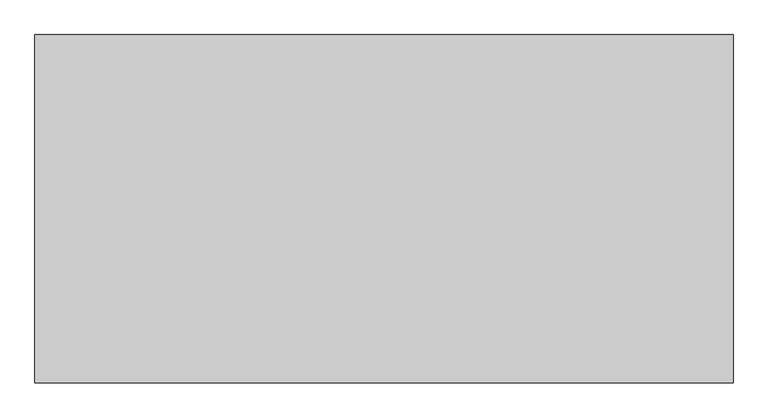
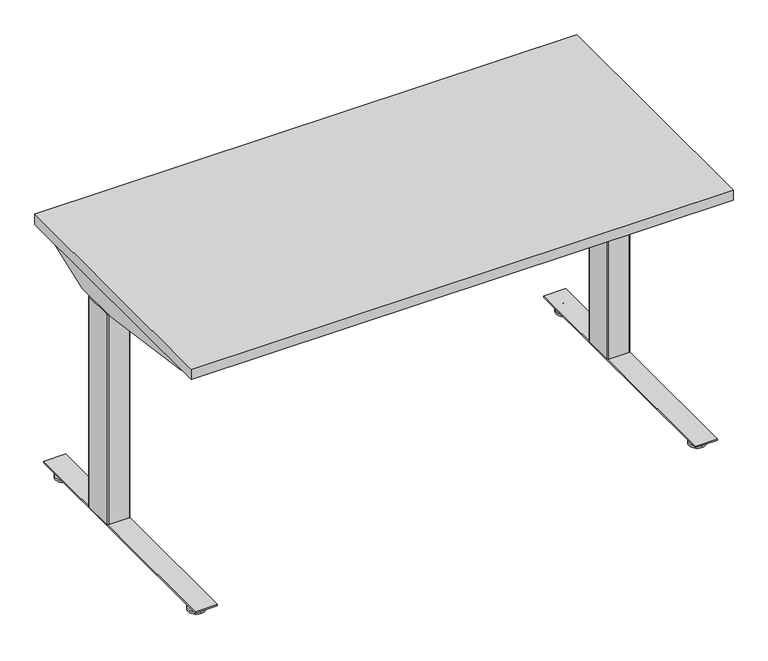
"""IFC4 building model written with IfcOpenShell, lengths in millimetres: furniture geometry."""

from ifc_helpers import new_model, si_unit, point, frame, frame_2d, origin, place, context, project, spatial, polyline, circle_curve, trimmed, segment, composite_curve, outline, extrude, source, transform, mapped, element, save
from ifc_brep_helpers import plane_surface, cylinder_surface, revolved_surface, advanced_brep


def furniture_ccb5d2c5(model_context):
    return source(origin(), model_context, "Body", "SolidModel", [
        extrude(outline(composite_curve([segment(polyline([(24.0299808, 91.9126008), (24.0299808, 89.2526023), (15.0465732, 89.2526023)]), True, "CONTINUOUS"), segment(trimmed(circle_curve(frame_2d((15.0465732, 88.1760101)), 1.0765922), [point((15.0465732, 89.2526023))], [point((13.969981, 88.1760101))], True, "CARTESIAN"), True, "CONTINUOUS"), segment(polyline([(13.969981, 88.1760101), (13.969981, 57.733733)]), True, "CONTINUOUS"), segment(trimmed(circle_curve(frame_2d((14.981112, 57.733733)), 1.011131), [point((13.969981, 57.733733))], [point((14.981112, 56.7226021))], True, "CARTESIAN"), True, "CONTINUOUS"), segment(polyline([(14.981112, 56.7226021), (24.0299808, 56.7226021), (24.0299808, 54.0625991), (14.9699813, 54.0625991), (13.1399808, 54.5529489), (11.8003278, 55.8926019), (11.3099815, 57.7226046), (11.3099815, 88.2526043), (11.8003278, 90.0826025), (13.1399808, 91.4222555), (14.9699813, 91.9126008), (24.0299808, 91.9126008)]), True, "CONTINUOUS")], self_intersect=False)), frame((0.0, -646.1468746, 0.0), z_axis=(0.0, 1.0, 0.0), x_axis=(0.0, 0.0, 1.0)), (0.0, 0.0, 1.0), 507.9999924),
        advanced_brep(
        [(71.6136021, -726.0252467, 9.1e-06), (71.6136021, -703.4479001, 9.1e-06), (71.6136021, -680.8705535, 9.1e-06), (71.6136021, -726.0109304, 5.8932313), (71.6136021, -680.8848697, 5.8932313), (71.6136021, -706.9684154, 9.6997702), (71.6136021, -699.9273847, 9.6997702), (71.6136021, -706.9684154, 23.9856018), (71.6136021, -699.9273847, 23.9856018), (71.6136021, -703.4479001, 23.9856018)],
        [
            (0, 1),
            (1, 2),
            (2, 0, circle_curve(frame((71.6136021, -703.4479001, 9.1e-06), z_axis=(0.0, 0.0, -1.0), x_axis=(0.0, 1.0, 0.0)), 22.5773466)),
            (0, 2, circle_curve(frame((71.6136021, -703.4479001, 9.1e-06), z_axis=(0.0, 0.0, -1.0), x_axis=(0.0, 1.0, 0.0)), 22.5773466)),
            (3, 0),
            (2, 4),
            (4, 3, circle_curve(frame((71.6136021, -703.4479001, 5.8932313), z_axis=(0.0, 0.0, -1.0), x_axis=(0.0, 1.0, 0.0)), 22.5630303)),
            (3, 4, circle_curve(frame((71.6136021, -703.4479001, 5.8932313), z_axis=(0.0, 0.0, -1.0), x_axis=(0.0, 1.0, 0.0)), 22.5630303)),
            (5, 3),
            (4, 6),
            (6, 5, circle_curve(frame((71.6136021, -703.4479001, 9.6997702), z_axis=(0.0, 0.0, -1.0), x_axis=(0.0, 1.0, 0.0)), 3.5205153)),
            (5, 6, circle_curve(frame((71.6136021, -703.4479001, 9.6997702), z_axis=(0.0, 0.0, -1.0), x_axis=(0.0, 1.0, 0.0)), 3.5205153)),
            (7, 5),
            (6, 8),
            (8, 7, circle_curve(frame((71.6136021, -703.4479001, 23.9856018), z_axis=(0.0, 0.0, -1.0), x_axis=(0.0, 1.0, 0.0)), 3.5205153)),
            (7, 8, circle_curve(frame((71.6136021, -703.4479001, 23.9856018), z_axis=(0.0, 0.0, -1.0), x_axis=(0.0, 1.0, 0.0)), 3.5205153)),
            (9, 7),
            (8, 9),
        ],
        [
            plane_surface(frame((71.6136021, -703.4479001, 9.1e-06), z_axis=(0.0, 0.0, -1.0), x_axis=(0.0, 1.0, 0.0))),
            revolved_surface(polyline([(71.6136021, -680.8705535, 9.1e-06), (71.6136021, -680.8848697, 5.8932313)]), (71.6136021, -703.4479001, -6.3499909), (0.0, 0.0, 1.0)),
            revolved_surface(polyline([(71.6136021, -680.8848697, 5.8932313), (71.6136021, -699.9273847, 9.6997702)]), (71.6136021, -703.4479001, -6.3499909), (0.0, 0.0, 1.0)),
            cylinder_surface(frame((71.6136021, -703.4479001, -6.3499909), z_axis=(0.0, 0.0, 1.0), x_axis=(0.0, 1.0, 0.0)), 3.5205153),
            plane_surface(frame((71.6136021, -703.4479001, 23.9856018), z_axis=(0.0, 0.0, 1.0), x_axis=(0.0, 1.0, 0.0))),
        ],
        [
            (0, [[1, 2, 3]]),
            (0, [[-2, -1, 4]]),
            (1, [[5, -3, 6, 7]]),
            (1, [[-6, -4, -5, 8]]),
            (2, [[9, -7, 10, 11]]),
            (2, [[-10, -8, -9, 12]]),
            (3, [[13, -11, 14, 15]]),
            (3, [[-14, -12, -13, 16]]),
            (4, [[17, -15, 18]]),
            (4, [[-18, -16, -17]]),
        ],
    ),
        advanced_brep(
        [(71.6136021, -80.677371, 23.9447896), (71.6136021, -84.2813634, 23.9447896), (71.6136021, -77.0733786, 23.9447896), (71.6136021, -103.3167838, 9.1e-06), (71.6136021, -80.677371, 9.1e-06), (71.6136021, -58.0379582, 9.1e-06), (71.6136021, -103.3024934, 5.8932313), (71.6136021, -58.0522486, 5.8932313), (71.6136021, -84.2599821, 9.6997702), (71.6136021, -77.0947599, 9.6997702)],
        [
            (0, 1),
            (1, 2, circle_curve(frame((71.6136021, -80.677371, 23.9447896), z_axis=(0.0, 0.0, 1.0), x_axis=(0.0, 1.0, 0.0)), 3.6039924)),
            (2, 0),
            (2, 1, circle_curve(frame((71.6136021, -80.677371, 23.9447896), z_axis=(0.0, 0.0, 1.0), x_axis=(0.0, 1.0, 0.0)), 3.6039924)),
            (3, 4),
            (4, 5),
            (5, 3, circle_curve(frame((71.6136021, -80.677371, 9.1e-06), z_axis=(0.0, 0.0, -1.0), x_axis=(0.0, 1.0, 0.0)), 22.6394128)),
            (3, 5, circle_curve(frame((71.6136021, -80.677371, 9.1e-06), z_axis=(0.0, 0.0, -1.0), x_axis=(0.0, 1.0, 0.0)), 22.6394128)),
            (6, 3),
            (5, 7),
            (7, 6, circle_curve(frame((71.6136021, -80.677371, 5.8932313), z_axis=(0.0, 0.0, -1.0), x_axis=(0.0, 1.0, 0.0)), 22.6251224)),
            (6, 7, circle_curve(frame((71.6136021, -80.677371, 5.8932313), z_axis=(0.0, 0.0, -1.0), x_axis=(0.0, 1.0, 0.0)), 22.6251224)),
            (8, 6),
            (7, 9),
            (9, 8, circle_curve(frame((71.6136021, -80.677371, 9.6997702), z_axis=(0.0, 0.0, -1.0), x_axis=(0.0, 1.0, 0.0)), 3.5826111)),
            (8, 9, circle_curve(frame((71.6136021, -80.677371, 9.6997702), z_axis=(0.0, 0.0, -1.0), x_axis=(0.0, 1.0, 0.0)), 3.5826111)),
            (1, 8),
            (9, 2),
        ],
        [
            plane_surface(frame((71.6136021, -80.677371, 23.9447896), z_axis=(0.0, 0.0, 1.0), x_axis=(0.0, 1.0, 0.0))),
            plane_surface(frame((71.6136021, -80.677371, 9.1e-06), z_axis=(0.0, 0.0, -1.0), x_axis=(0.0, 1.0, 0.0))),
            revolved_surface(polyline([(71.6136021, -58.0379582, 9.1e-06), (71.6136021, -58.0522486, 5.8932313)]), (71.6136021, -80.677371, -4.2199069), (0.0, 0.0, 1.0)),
            revolved_surface(polyline([(71.6136021, -58.0522486, 5.8932313), (71.6136021, -77.0947599, 9.6997702)]), (71.6136021, -80.677371, -4.2199069), (0.0, 0.0, 1.0)),
            cylinder_surface(frame((71.6136021, -80.677371, -4.2199069), z_axis=(0.0, 0.0, 1.0), x_axis=(0.0, 1.0, 0.0)), 3.5617141),
        ],
        [
            (0, [[1, 2, 3]]),
            (0, [[-3, 4, -1]]),
            (1, [[5, 6, 7]]),
            (1, [[-6, -5, 8]]),
            (2, [[9, -7, 10, 11]]),
            (2, [[-10, -8, -9, 12]]),
            (3, [[13, -11, 14, 15]]),
            (3, [[-14, -12, -13, 16]]),
            (4, [[17, -15, 18, -2]]),
            (4, [[-18, -16, -17, -4]]),
        ],
    ),
        extrude(outline(polyline([(42.9876029, -36.5468837), (102.9576025, -36.5468837), (102.9576025, -747.7468867), (42.9876029, -747.7468867), (42.9876029, -36.5468837)])), frame((0.0, 0.0, 24.0299808), z_axis=(0.0, 0.0, 1.0), x_axis=(1.0, 0.0, 0.0)), (0.0, 0.0, 1.0), 4.1800001),
        extrude(outline(composite_curve([segment(polyline([(98.1047994, -253.1740482), (98.1047994, -335.6776259)]), True, "CONTINUOUS"), segment(trimmed(circle_curve(frame_2d((95.8187994, -335.6776259)), 2.286), [point((98.1047994, -335.6776259))], [point((95.8187994, -337.9636259))], False, "CARTESIAN"), True, "CONTINUOUS"), segment(polyline([(95.8187994, -337.9636259), (47.5023125, -337.9636259)]), True, "CONTINUOUS"), segment(trimmed(circle_curve(frame_2d((47.5023125, -335.6776259)), 2.286), [point((47.5023125, -337.9636259))], [point((45.2163125, -335.6776259))], False, "CARTESIAN"), True, "CONTINUOUS"), segment(polyline([(45.2163125, -335.6776259), (45.2163125, -253.0141955)]), True, "CONTINUOUS"), segment(trimmed(circle_curve(frame_2d((47.5023125, -253.1740482)), 2.2915822), [point((45.2163125, -253.0141955))], [point((47.3424598, -250.8880482))], False, "CARTESIAN"), True, "CONTINUOUS"), segment(polyline([(47.3424598, -250.8880482), (95.8187994, -250.8880482)]), True, "CONTINUOUS"), segment(trimmed(circle_curve(frame_2d((95.8187994, -253.1740482)), 2.286), [point((95.8187994, -250.8880482))], [point((98.1047994, -253.1740482))], False, "CARTESIAN"), True, "CONTINUOUS")], self_intersect=False)), frame((0.0, 0.0, 631.6980091), z_axis=(0.0, 0.0, 1.0), x_axis=(1.0, 0.0, 0.0)), (0.0, 0.0, 1.0), 63.5819446),
        extrude(outline(composite_curve([segment(polyline([(44.6584207, -247.961107), (100.2656021, -247.961107)]), True, "CONTINUOUS"), segment(trimmed(circle_curve(frame_2d((100.2656021, -251.009107)), 3.048), [point((100.2656021, -247.961107))], [point((103.3136021, -251.009107))], False, "CARTESIAN"), True, "CONTINUOUS"), segment(polyline([(103.3136021, -251.009107), (103.3136021, -334.907113)]), True, "CONTINUOUS"), segment(trimmed(circle_curve(frame_2d((100.2656021, -334.907113)), 3.048), [point((103.3136021, -334.907113))], [point((100.2635382, -337.9551123))], False, "CARTESIAN"), True, "CONTINUOUS"), segment(polyline([(100.2635382, -337.9551123), (44.638999, -337.9174476)]), True, "CONTINUOUS"), segment(trimmed(circle_curve(frame_2d((44.6410511, -334.886818)), 3.0306304), [point((44.638999, -337.9174476))], [point((41.6104207, -334.886818))], False, "CARTESIAN"), True, "CONTINUOUS"), segment(polyline([(41.6104207, -334.886818), (41.6104207, -251.009107)]), True, "CONTINUOUS"), segment(trimmed(circle_curve(frame_2d((44.6584207, -251.009107)), 3.048), [point((41.6104207, -251.009107))], [point((44.6584207, -247.961107))], False, "CARTESIAN"), True, "CONTINUOUS")], self_intersect=False)), frame((0.0, 0.0, 28.209981), z_axis=(0.0, 0.0, 1.0), x_axis=(1.0, 0.0, 0.0)), (0.0, 0.0, 1.0), 603.4880281),
        extrude(outline(composite_curve([segment(polyline([(24.0299717, 1409.9357036), (14.9699722, 1409.9357036), (13.1399717, 1410.4260488), (11.8003187, 1411.7657018), (11.3099724, 1413.5957), (11.3099724, 1444.1256997), (11.8003187, 1445.9557024), (13.1399717, 1447.2953554), (14.9699722, 1447.7857052), (24.0299717, 1447.7857052), (24.0299717, 1445.1257022), (14.9811029, 1445.1257022)]), True, "CONTINUOUS"), segment(trimmed(circle_curve(frame_2d((14.9811029, 1444.1145713)), 1.011131), [point((14.9811029, 1445.1257022))], [point((13.9699719, 1444.1145713))], True, "CARTESIAN"), True, "CONTINUOUS"), segment(polyline([(13.9699719, 1444.1145713), (13.9699719, 1413.6722942)]), True, "CONTINUOUS"), segment(trimmed(circle_curve(frame_2d((15.0465641, 1413.6722942)), 1.0765922), [point((13.9699719, 1413.6722942))], [point((15.0465641, 1412.595702))], True, "CARTESIAN"), True, "CONTINUOUS"), segment(polyline([(15.0465641, 1412.595702), (24.0299717, 1412.595702), (24.0299717, 1409.9357036)]), True, "CONTINUOUS")], self_intersect=False)), frame((0.0, -646.1468746, 0.0), z_axis=(0.0, 1.0, 0.0), x_axis=(0.0, 0.0, 1.0)), (0.0, 0.0, 1.0), 507.9999924),
        advanced_brep(
        [(1430.2347023, -726.0252467, 0.0), (1430.2347023, -680.8705535, 0.0), (1430.2347023, -703.4479001, 0.0), (1430.2347023, -726.0109304, 5.8932222), (1430.2347023, -680.8848697, 5.8932222), (1430.2347023, -706.9684154, 9.6997611), (1430.2347023, -699.9273847, 9.6997611), (1430.2347023, -706.9684154, 23.9855927), (1430.2347023, -699.9273847, 23.9855927), (1430.2347023, -703.4479001, 23.9855927)],
        [
            (0, 1, circle_curve(frame((1430.2347023, -703.4479001, 0.0), z_axis=(0.0, 0.0, -1.0), x_axis=(0.0, 1.0, 0.0)), 22.5773466)),
            (1, 2),
            (2, 0),
            (1, 0, circle_curve(frame((1430.2347023, -703.4479001, 0.0), z_axis=(0.0, 0.0, -1.0), x_axis=(0.0, 1.0, 0.0)), 22.5773466)),
            (3, 4, circle_curve(frame((1430.2347023, -703.4479001, 5.8932222), z_axis=(0.0, 0.0, -1.0), x_axis=(0.0, 1.0, 0.0)), 22.5630303)),
            (4, 1),
            (0, 3),
            (4, 3, circle_curve(frame((1430.2347023, -703.4479001, 5.8932222), z_axis=(0.0, 0.0, -1.0), x_axis=(0.0, 1.0, 0.0)), 22.5630303)),
            (5, 6, circle_curve(frame((1430.2347023, -703.4479001, 9.6997611), z_axis=(0.0, 0.0, -1.0), x_axis=(0.0, 1.0, 0.0)), 3.5205153)),
            (6, 4),
            (3, 5),
            (6, 5, circle_curve(frame((1430.2347023, -703.4479001, 9.6997611), z_axis=(0.0, 0.0, -1.0), x_axis=(0.0, 1.0, 0.0)), 3.5205153)),
            (7, 8, circle_curve(frame((1430.2347023, -703.4479001, 23.9855927), z_axis=(0.0, 0.0, -1.0), x_axis=(0.0, 1.0, 0.0)), 3.5205153)),
            (8, 6),
            (5, 7),
            (8, 7, circle_curve(frame((1430.2347023, -703.4479001, 23.9855927), z_axis=(0.0, 0.0, -1.0), x_axis=(0.0, 1.0, 0.0)), 3.5205153)),
            (9, 8),
            (7, 9),
        ],
        [
            plane_surface(frame((1430.2347023, -703.4479001, 0.0), z_axis=(0.0, 0.0, -1.0), x_axis=(0.0, 1.0, 0.0))),
            revolved_surface(polyline([(1430.2347023, -680.8705535, 0.0), (1430.2347023, -680.8848697, 5.8932222)]), (1430.2347023, -703.4479001, -6.35), (0.0, 0.0, 1.0)),
            revolved_surface(polyline([(1430.2347023, -680.8848697, 5.8932222), (1430.2347023, -699.9273847, 9.6997611)]), (1430.2347023, -703.4479001, -6.35), (0.0, 0.0, 1.0)),
            cylinder_surface(frame((1430.2347023, -703.4479001, -6.35), z_axis=(0.0, 0.0, 1.0), x_axis=(0.0, 1.0, 0.0)), 3.5205153),
            plane_surface(frame((1430.2347023, -703.4479001, 23.9855927), z_axis=(0.0, 0.0, 1.0), x_axis=(0.0, 1.0, 0.0))),
        ],
        [
            (0, [[1, 2, 3]]),
            (0, [[4, -3, -2]]),
            (1, [[5, 6, -1, 7]]),
            (1, [[8, -7, -4, -6]]),
            (2, [[9, 10, -5, 11]]),
            (2, [[12, -11, -8, -10]]),
            (3, [[13, 14, -9, 15]]),
            (3, [[16, -15, -12, -14]]),
            (4, [[17, -13, 18]]),
            (4, [[-18, -16, -17]]),
        ],
    ),
        advanced_brep(
        [(1430.2347023, -80.677371, 23.9447805), (1430.2347023, -77.0733786, 23.9447805), (1430.2347023, -84.2813634, 23.9447805), (1430.2347023, -103.3167838, 0.0), (1430.2347023, -58.0379582, 0.0), (1430.2347023, -80.677371, 0.0), (1430.2347023, -103.3024934, 5.8932222), (1430.2347023, -58.0522486, 5.8932222), (1430.2347023, -84.2599821, 9.6997611), (1430.2347023, -77.0947599, 9.6997611)],
        [
            (0, 1),
            (1, 2, circle_curve(frame((1430.2347023, -80.677371, 23.9447805), z_axis=(0.0, 0.0, 1.0), x_axis=(0.0, 1.0, 0.0)), 3.6039924)),
            (2, 0),
            (2, 1, circle_curve(frame((1430.2347023, -80.677371, 23.9447805), z_axis=(0.0, 0.0, 1.0), x_axis=(0.0, 1.0, 0.0)), 3.6039924)),
            (3, 4, circle_curve(frame((1430.2347023, -80.677371, 0.0), z_axis=(0.0, 0.0, -1.0), x_axis=(0.0, 1.0, 0.0)), 22.6394128)),
            (4, 5),
            (5, 3),
            (4, 3, circle_curve(frame((1430.2347023, -80.677371, 0.0), z_axis=(0.0, 0.0, -1.0), x_axis=(0.0, 1.0, 0.0)), 22.6394128)),
            (6, 7, circle_curve(frame((1430.2347023, -80.677371, 5.8932222), z_axis=(0.0, 0.0, -1.0), x_axis=(0.0, 1.0, 0.0)), 22.6251224)),
            (7, 4),
            (3, 6),
            (7, 6, circle_curve(frame((1430.2347023, -80.677371, 5.8932222), z_axis=(0.0, 0.0, -1.0), x_axis=(0.0, 1.0, 0.0)), 22.6251224)),
            (8, 9, circle_curve(frame((1430.2347023, -80.677371, 9.6997611), z_axis=(0.0, 0.0, -1.0), x_axis=(0.0, 1.0, 0.0)), 3.5826111)),
            (9, 7),
            (6, 8),
            (9, 8, circle_curve(frame((1430.2347023, -80.677371, 9.6997611), z_axis=(0.0, 0.0, -1.0), x_axis=(0.0, 1.0, 0.0)), 3.5826111)),
            (1, 9),
            (8, 2),
        ],
        [
            plane_surface(frame((1430.2347023, -80.677371, 23.9447805), z_axis=(0.0, 0.0, 1.0), x_axis=(0.0, 1.0, 0.0))),
            plane_surface(frame((1430.2347023, -80.677371, 0.0), z_axis=(0.0, 0.0, -1.0), x_axis=(0.0, 1.0, 0.0))),
            revolved_surface(polyline([(1430.2347023, -58.0379582, 0.0), (1430.2347023, -58.0522486, 5.8932222)]), (1430.2347023, -80.677371, -4.219916), (0.0, 0.0, 1.0)),
            revolved_surface(polyline([(1430.2347023, -58.0522486, 5.8932222), (1430.2347023, -77.0947599, 9.6997611)]), (1430.2347023, -80.677371, -4.219916), (0.0, 0.0, 1.0)),
            cylinder_surface(frame((1430.2347023, -80.677371, -4.219916), z_axis=(0.0, 0.0, 1.0), x_axis=(0.0, 1.0, 0.0)), 3.5617141),
        ],
        [
            (0, [[1, 2, 3]]),
            (0, [[-3, 4, -1]]),
            (1, [[5, 6, 7]]),
            (1, [[8, -7, -6]]),
            (2, [[9, 10, -5, 11]]),
            (2, [[12, -11, -8, -10]]),
            (3, [[13, 14, -9, 15]]),
            (3, [[16, -15, -12, -14]]),
            (4, [[-2, 17, -13, 18]]),
            (4, [[-4, -18, -16, -17]]),
        ],
    ),
        extrude(outline(polyline([(1458.8607014, -36.5468837), (1458.8607014, -747.7468867), (1398.8907019, -747.7468867), (1398.8907019, -36.5468837), (1458.8607014, -36.5468837)])), frame((0.0, 0.0, 24.0299717), z_axis=(0.0, 0.0, 1.0), x_axis=(1.0, 0.0, 0.0)), (0.0, 0.0, 1.0), 4.1800001),
        extrude(outline(composite_curve([segment(trimmed(circle_curve(frame_2d((1406.0295049, -253.1740482)), 2.286), [point((1403.7435049, -253.1740482))], [point((1406.0295049, -250.8880482))], False, "CARTESIAN"), True, "CONTINUOUS"), segment(polyline([(1406.0295049, -250.8880482), (1454.5058445, -250.8880482)]), True, "CONTINUOUS"), segment(trimmed(circle_curve(frame_2d((1454.3459918, -253.1740482)), 2.2915822), [point((1454.5058445, -250.8880482))], [point((1456.6319918, -253.0141955))], False, "CARTESIAN"), True, "CONTINUOUS"), segment(polyline([(1456.6319918, -253.0141955), (1456.6319918, -335.6776259)]), True, "CONTINUOUS"), segment(trimmed(circle_curve(frame_2d((1454.3459918, -335.6776259)), 2.286), [point((1456.6319918, -335.6776259))], [point((1454.3459918, -337.9636259))], False, "CARTESIAN"), True, "CONTINUOUS"), segment(polyline([(1454.3459918, -337.9636259), (1406.0295049, -337.9636259)]), True, "CONTINUOUS"), segment(trimmed(circle_curve(frame_2d((1406.0295049, -335.6776259)), 2.286), [point((1406.0295049, -337.9636259))], [point((1403.7435049, -335.6776259))], False, "CARTESIAN"), True, "CONTINUOUS"), segment(polyline([(1403.7435049, -335.6776259), (1403.7435049, -253.1740482)]), True, "CONTINUOUS")], self_intersect=False)), frame((0.0, 0.0, 631.698), z_axis=(0.0, 0.0, 1.0), x_axis=(1.0, 0.0, 0.0)), (0.0, 0.0, 1.0), 63.5819446),
        extrude(outline(composite_curve([segment(trimmed(circle_curve(frame_2d((1457.1898836, -251.009107)), 3.048), [point((1457.1898836, -247.961107))], [point((1460.2378836, -251.009107))], False, "CARTESIAN"), True, "CONTINUOUS"), segment(polyline([(1460.2378836, -251.009107), (1460.2378836, -334.886818)]), True, "CONTINUOUS"), segment(trimmed(circle_curve(frame_2d((1457.2072532, -334.886818)), 3.0306304), [point((1460.2378836, -334.886818))], [point((1457.2093053, -337.9174476))], False, "CARTESIAN"), True, "CONTINUOUS"), segment(polyline([(1457.2093053, -337.9174476), (1401.5847661, -337.9551123)]), True, "CONTINUOUS"), segment(trimmed(circle_curve(frame_2d((1401.5827022, -334.907113)), 3.048), [point((1401.5847661, -337.9551123))], [point((1398.5347022, -334.907113))], False, "CARTESIAN"), True, "CONTINUOUS"), segment(polyline([(1398.5347022, -334.907113), (1398.5347022, -251.009107)]), True, "CONTINUOUS"), segment(trimmed(circle_curve(frame_2d((1401.5827022, -251.009107)), 3.048), [point((1398.5347022, -251.009107))], [point((1401.5827022, -247.961107))], False, "CARTESIAN"), True, "CONTINUOUS"), segment(polyline([(1401.5827022, -247.961107), (1457.1898836, -247.961107)]), True, "CONTINUOUS")], self_intersect=False)), frame((0.0, 0.0, 28.2099719), z_axis=(0.0, 0.0, 1.0), x_axis=(1.0, 0.0, 0.0)), (0.0, 0.0, 1.0), 603.4880281),
        extrude(outline(composite_curve([segment(polyline([(-250.4581839, 658.8786781), (-338.7697314, 658.8786781)]), True, "CONTINUOUS"), segment(trimmed(circle_curve(frame_2d((-338.7697314, 661.8561465)), 2.9774683), [point((-338.7697314, 658.8786781))], [point((-341.7471997, 661.8561465))], False, "CARTESIAN"), True, "CONTINUOUS"), segment(polyline([(-341.7471997, 661.8561465), (-341.7471997, 706.7295758), (-339.8471704, 706.7295758), (-339.8471704, 661.7405996)]), True, "CONTINUOUS"), segment(trimmed(circle_curve(frame_2d((-338.8852783, 661.7405996)), 0.9618921), [point((-339.8471704, 661.7405996))], [point((-338.8852783, 660.7787075))], True, "CARTESIAN"), True, "CONTINUOUS"), segment(polyline([(-338.8852783, 660.7787075), (-250.3633297, 660.7787075)]), True, "CONTINUOUS"), segment(trimmed(circle_curve(frame_2d((-250.3633297, 661.8948418)), 1.1161343), [point((-250.3633297, 660.7787075))], [point((-249.2471954, 661.8948418))], True, "CARTESIAN"), True, "CONTINUOUS"), segment(polyline([(-249.2471954, 661.8948418), (-249.2471954, 706.7295758), (-247.3471842, 706.7295758), (-247.3471842, 661.9896778)]), True, "CONTINUOUS"), segment(trimmed(circle_curve(frame_2d((-250.4581839, 661.9896778)), 3.1109997), [point((-247.3471842, 661.9896778))], [point((-250.4581839, 658.8786781))], False, "CARTESIAN"), True, "CONTINUOUS")], self_intersect=False)), frame((103.3136021, 0.0, 0.0), z_axis=(1.0, 0.0, 0.0), x_axis=(0.0, 1.0, 0.0)), (0.0, 0.0, 1.0), 1295.2211001),
        extrude(outline(polyline([(-688.1042925, 706.7295758), (-96.2085395, 706.7295758), (-96.2085395, 687.6629882), (-225.3003514, 640.6513622), (-361.6074771, 640.6513622), (-688.1042925, 686.4222147), (-688.1042925, 706.7295758)])), frame((38.1482286, 0.0, 0.0), z_axis=(1.0, 0.0, 0.0), x_axis=(0.0, 1.0, 0.0)), (0.0, 0.0, 1.0), 1.8999567),
        extrude(outline(polyline([(-688.1042925, 706.7295758), (-96.247586, 706.7295758), (-96.247586, 687.6487686), (-225.3003514, 640.6513622), (-361.6074771, 640.6513622), (-688.1042925, 686.4222147), (-688.1042925, 706.7295758)])), frame((1480.8760334, 0.0, 0.0), z_axis=(1.0, 0.0, 0.0), x_axis=(0.0, 1.0, 0.0)), (0.0, 0.0, 1.0), 1.8999567),
        extrude(outline(polyline([(25.4000008, -25.4000008), (1495.5520271, -25.4000008), (1495.5520271, -758.9520029), (25.4000008, -758.9520029), (25.4000008, -25.4000008)])), frame((0.0, 0.0, 706.7295758), z_axis=(0.0, 0.0, 1.0), x_axis=(1.0, 0.0, 0.0)), (0.0, 0.0, 1.0), 29.8704242),
    ])


if __name__ == "__main__":
    model = new_model("IFC4")
    model_context = context("Model", 3, world=origin())
    ifc_project = project(units=[si_unit("LENGTHUNIT", "METRE", prefix="MILLI")], contexts=[model_context])
    site = spatial("IfcSite", under=ifc_project)
    building = spatial("IfcBuilding", under=site)
    placement = place(None, origin())
    furniture_shape = furniture_ccb5d2c5(model_context)
    element("IfcFurniture", 1, at=placement, inside=building, context=model_context, shape_type="MappedRepresentation", body=[
        mapped(furniture_shape, transform((0.0, 0.0, 0.0), x_axis=(1.0, 0.0, 0.0), y_axis=(0.0, 1.0, 0.0), z_axis=(0.0, 0.0, 1.0))),
    ])
    save(model, "model.ifc")
